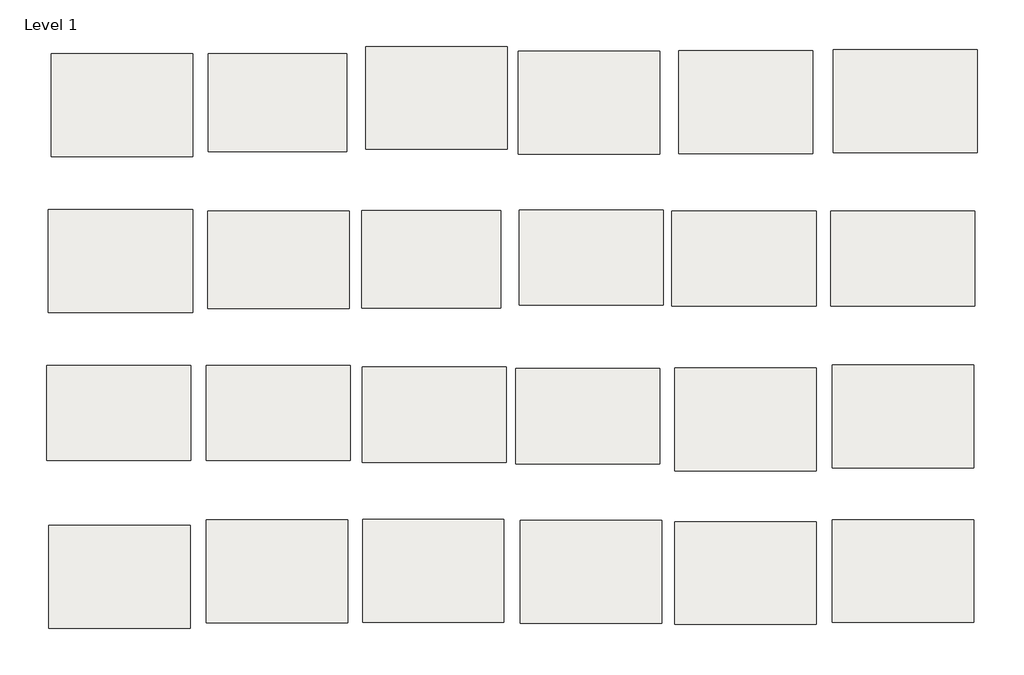
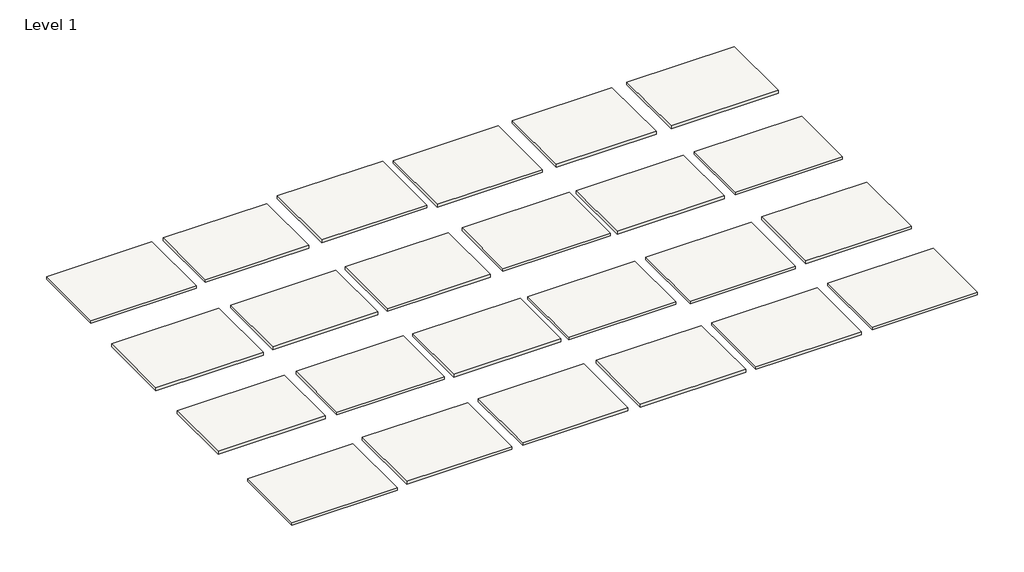
# One storey: 24 slabs.
"""IFC4 building model written with IfcOpenShell, lengths in millimetres."""

from ifc_helpers import new_model, si_unit, frame, origin, place, context, project, spatial, polyline, outline, extrude, element, save

model = new_model("IFC4")

# Units and contexts
model_context = context("Model", 3, world=origin())
ifc_project = project(units=[si_unit("LENGTHUNIT", "METRE", prefix="MILLI")], contexts=[model_context])

# Site, building, storey
site = spatial("IfcSite", under=ifc_project)
building = spatial("IfcBuilding", under=site)
storey = spatial("IfcBuildingStorey", under=building, Name="Level 1", Elevation=0.0)

# Slabs
placement = place(None, origin())
element("IfcSlab", 1, at=placement, inside=storey, context=model_context, shape_type="SweptSolid", body=[
    extrude(outline(polyline([(-1549.5177792, 2862.7855411), (-1206.6177792, 2862.7855411), (-1206.6177792, 2621.4855411), (-1549.5177792, 2621.4855411), (-1549.5177792, 2862.7855411)])), frame((0.0, 0.0, -9.525), z_axis=(0.0, 0.0, 1.0), x_axis=(1.0, 0.0, 0.0)), (0.0, 0.0, 1.0), 9.525),
])
element("IfcSlab", 2, at=placement, inside=storey, context=model_context, shape_type="SweptSolid", body=[
    extrude(outline(polyline([(-1160.194393, 2626.9149045), (-1160.194393, 2880.9149045), (-810.944393, 2880.9149045), (-810.944393, 2626.9149045), (-1160.194393, 2626.9149045)])), frame((0.0, 0.0, -9.525), z_axis=(0.0, 0.0, 1.0), x_axis=(1.0, 0.0, 0.0)), (0.0, 0.0, 1.0), 9.525),
])
element("IfcSlab", 3, at=placement, inside=storey, context=model_context, shape_type="SweptSolid", body=[
    extrude(outline(polyline([(-404.0366196, 2239.3342303), (-404.0366196, 2474.2842303), (-48.4366196, 2474.2842303), (-48.4366196, 2239.3342303), (-404.0366196, 2239.3342303)])), frame((0.0, 0.0, -9.525), z_axis=(0.0, 0.0, 1.0), x_axis=(1.0, 0.0, 0.0)), (0.0, 0.0, 1.0), 9.525),
])
element("IfcSlab", 4, at=placement, inside=storey, context=model_context, shape_type="SweptSolid", body=[
    extrude(outline(polyline([(-1553.4349086, 1858.2332246), (-1553.4349086, 2093.1832246), (-1197.8349086, 2093.1832246), (-1197.8349086, 1858.2332246), (-1553.4349086, 1858.2332246)])), frame((0.0, 0.0, -9.525), z_axis=(0.0, 0.0, 1.0), x_axis=(1.0, 0.0, 0.0)), (0.0, 0.0, 1.0), 9.525),
])
element("IfcSlab", 5, at=placement, inside=storey, context=model_context, shape_type="SweptSolid", body=[
    extrude(outline(polyline([(-1553.7203769, 1457.2159231), (-1553.7203769, 1711.2159231), (-1204.4703769, 1711.2159231), (-1204.4703769, 1457.2159231), (-1553.7203769, 1457.2159231)])), frame((0.0, 0.0, -9.525), z_axis=(0.0, 0.0, 1.0), x_axis=(1.0, 0.0, 0.0)), (0.0, 0.0, 1.0), 9.525),
])
element("IfcSlab", 6, at=placement, inside=storey, context=model_context, shape_type="SweptSolid", body=[
    extrude(outline(polyline([(-1168.1039814, 1458.2524063), (-1168.1039814, 1712.2524063), (-818.8539814, 1712.2524063), (-818.8539814, 1458.2524063), (-1168.1039814, 1458.2524063)])), frame((0.0, 0.0, -9.525), z_axis=(0.0, 0.0, 1.0), x_axis=(1.0, 0.0, 0.0)), (0.0, 0.0, 1.0), 9.525),
])
element("IfcSlab", 7, at=placement, inside=storey, context=model_context, shape_type="SweptSolid", body=[
    extrude(outline(polyline([(-778.8886823, 1455.6702315), (-778.8886823, 1709.6702315), (-429.6386823, 1709.6702315), (-429.6386823, 1455.6702315), (-778.8886823, 1455.6702315)])), frame((0.0, 0.0, -9.525), z_axis=(0.0, 0.0, 1.0), x_axis=(1.0, 0.0, 0.0)), (0.0, 0.0, 1.0), 9.525),
])
element("IfcSlab", 8, at=placement, inside=storey, context=model_context, shape_type="SweptSolid", body=[
    extrude(outline(polyline([(-397.2164796, 1452.9765408), (-397.2164796, 1706.9765408), (-47.9664796, 1706.9765408), (-47.9664796, 1452.9765408), (-397.2164796, 1452.9765408)])), frame((0.0, 0.0, -9.525), z_axis=(0.0, 0.0, 1.0), x_axis=(1.0, 0.0, 0.0)), (0.0, 0.0, 1.0), 9.525),
])
element("IfcSlab", 9, at=placement, inside=storey, context=model_context, shape_type="SweptSolid", body=[
    extrude(outline(polyline([(-8.7465912, 1457.7947638), (-8.7465912, 1711.7947638), (340.5034088, 1711.7947638), (340.5034088, 1457.7947638), (-8.7465912, 1457.7947638)])), frame((0.0, 0.0, -9.525), z_axis=(0.0, 0.0, 1.0), x_axis=(1.0, 0.0, 0.0)), (0.0, 0.0, 1.0), 9.525),
])
element("IfcSlab", 10, at=placement, inside=storey, context=model_context, shape_type="SweptSolid", body=[
    extrude(outline(polyline([(-1936.8677792, 2862.7855411), (-1587.6177792, 2862.7855411), (-1587.6177792, 2608.7855411), (-1936.8677792, 2608.7855411), (-1936.8677792, 2862.7855411)])), frame((0.0, 0.0, -9.525), z_axis=(0.0, 0.0, 1.0), x_axis=(1.0, 0.0, 0.0)), (0.0, 0.0, 1.0), 9.525),
])
element("IfcSlab", 11, ObjectType="Edgewood Base Mat MB 300 - HD Carpet Black Iron", at=placement, inside=storey, context=model_context, shape_type="SweptSolid", body=[
    extrude(outline(polyline([(-1943.3577326, 2223.4593045), (-1943.3577326, 2477.4593045), (-1587.7577326, 2477.4593045), (-1587.7577326, 2223.4593045), (-1943.3577326, 2223.4593045)])), frame((0.0, 0.0, -9.525), z_axis=(0.0, 0.0, 1.0), x_axis=(1.0, 0.0, 0.0)), (0.0, 0.0, 1.0), 9.525),
])
element("IfcSlab", 12, ObjectType="Edgewood Base Mat MB 300 - HD Carpet Cast Iron", at=placement, inside=storey, context=model_context, shape_type="SweptSolid", body=[
    extrude(outline(polyline([(-783.9705572, 2614.70127), (-783.9705572, 2868.70127), (-434.7205572, 2868.70127), (-434.7205572, 2614.70127), (-783.9705572, 2614.70127)])), frame((0.0, 0.0, -9.525), z_axis=(0.0, 0.0, 1.0), x_axis=(1.0, 0.0, 0.0)), (0.0, 0.0, 1.0), 9.525),
])
element("IfcSlab", 13, ObjectType="Edgewood Base Mat MB 300 - HD Carpet Charcoal", at=placement, inside=storey, context=model_context, shape_type="SweptSolid", body=[
    extrude(outline(polyline([(-1549.9965666, 2233.3097029), (-1549.9965666, 2474.6097029), (-1200.7465666, 2474.6097029), (-1200.7465666, 2233.3097029), (-1549.9965666, 2233.3097029)])), frame((0.0, 0.0, -9.525), z_axis=(0.0, 0.0, 1.0), x_axis=(1.0, 0.0, 0.0)), (0.0, 0.0, 1.0), 9.525),
])
element("IfcSlab", 14, ObjectType="Edgewood Base Mat MB 300 - HD Carpet Denim", at=placement, inside=storey, context=model_context, shape_type="SweptSolid", body=[
    extrude(outline(polyline([(-781.106873, 2242.0235364), (-781.106873, 2476.9735364), (-425.506873, 2476.9735364), (-425.506873, 2242.0235364), (-781.106873, 2242.0235364)])), frame((0.0, 0.0, -9.525), z_axis=(0.0, 0.0, 1.0), x_axis=(1.0, 0.0, 0.0)), (0.0, 0.0, 1.0), 9.525),
])
element("IfcSlab", 15, ObjectType="Edgewood Base Mat MB 300 - HD Carpet Espresso", at=placement, inside=storey, context=model_context, shape_type="SweptSolid", body=[
    extrude(outline(polyline([(-11.5745727, 2239.7828073), (-11.5745727, 2474.7328073), (344.0254273, 2474.7328073), (344.0254273, 2239.7828073), (-11.5745727, 2239.7828073)])), frame((0.0, 0.0, -9.525), z_axis=(0.0, 0.0, 1.0), x_axis=(1.0, 0.0, 0.0)), (0.0, 0.0, 1.0), 9.525),
])
element("IfcSlab", 16, ObjectType="Edgewood Base Mat MB 300 - HD Carpet Grey Castle", at=placement, inside=storey, context=model_context, shape_type="SweptSolid", body=[
    extrude(outline(polyline([(-1169.8290103, 2234.5929701), (-1169.8290103, 2475.8929701), (-826.9290103, 2475.8929701), (-826.9290103, 2234.5929701), (-1169.8290103, 2234.5929701)])), frame((0.0, 0.0, -9.525), z_axis=(0.0, 0.0, 1.0), x_axis=(1.0, 0.0, 0.0)), (0.0, 0.0, 1.0), 9.525),
])
element("IfcSlab", 17, ObjectType="Edgewood Base Mat MB 300 - HD Carpet Java", at=placement, inside=storey, context=model_context, shape_type="SweptSolid", body=[
    extrude(outline(polyline([(-1948.1491407, 1857.938077), (-1948.1491407, 2092.888077), (-1592.5491407, 2092.888077), (-1592.5491407, 1857.938077), (-1948.1491407, 1857.938077)])), frame((0.0, 0.0, -9.525), z_axis=(0.0, 0.0, 1.0), x_axis=(1.0, 0.0, 0.0)), (0.0, 0.0, 1.0), 9.525),
])
element("IfcSlab", 18, ObjectType="Edgewood Base Mat MB 300 - HD Carpet Onyx", at=placement, inside=storey, context=model_context, shape_type="SweptSolid", body=[
    extrude(outline(polyline([(-387.0207271, 2616.8577878), (-387.0207271, 2870.8577878), (-56.8207271, 2870.8577878), (-56.8207271, 2616.8577878), (-387.0207271, 2616.8577878)])), frame((0.0, 0.0, -9.525), z_axis=(0.0, 0.0, 1.0), x_axis=(1.0, 0.0, 0.0)), (0.0, 0.0, 1.0), 9.525),
])
element("IfcSlab", 19, ObjectType="Edgewood Base Mat MB 300 - HD Carpet Shadow", at=placement, inside=storey, context=model_context, shape_type="SweptSolid", body=[
    extrude(outline(polyline([(-5.4941605, 2619.2983071), (-5.4941605, 2873.2983071), (350.1058395, 2873.2983071), (350.1058395, 2619.2983071), (-5.4941605, 2619.2983071)])), frame((0.0, 0.0, -9.525), z_axis=(0.0, 0.0, 1.0), x_axis=(1.0, 0.0, 0.0)), (0.0, 0.0, 1.0), 9.525),
])
element("IfcSlab", 20, ObjectType="Edgewood Base Mat MB 300 - HD Carpet Spice", at=placement, inside=storey, context=model_context, shape_type="SweptSolid", body=[
    extrude(outline(polyline([(-1168.5201456, 1853.6826246), (-1168.5201456, 2088.6326246), (-812.9201456, 2088.6326246), (-812.9201456, 1853.6826246), (-1168.5201456, 1853.6826246)])), frame((0.0, 0.0, -9.525), z_axis=(0.0, 0.0, 1.0), x_axis=(1.0, 0.0, 0.0)), (0.0, 0.0, 1.0), 9.525),
])
element("IfcSlab", 21, ObjectType="Edgewood Base Mat MB 300 - HD Carpet Suede", at=placement, inside=storey, context=model_context, shape_type="SweptSolid", body=[
    extrude(outline(polyline([(-789.2579176, 1850.2429801), (-789.2579176, 2085.1929801), (-433.6579176, 2085.1929801), (-433.6579176, 1850.2429801), (-789.2579176, 1850.2429801)])), frame((0.0, 0.0, -9.525), z_axis=(0.0, 0.0, 1.0), x_axis=(1.0, 0.0, 0.0)), (0.0, 0.0, 1.0), 9.525),
])
element("IfcSlab", 22, ObjectType="Edgewood Base Mat MB 300 - Vinyl Black", at=placement, inside=storey, context=model_context, shape_type="SweptSolid", body=[
    extrude(outline(polyline([(-396.7292514, 1832.455077), (-396.7292514, 2086.455077), (-47.4792514, 2086.455077), (-47.4792514, 1832.455077), (-396.7292514, 1832.455077)])), frame((0.0, 0.0, -9.525), z_axis=(0.0, 0.0, 1.0), x_axis=(1.0, 0.0, 0.0)), (0.0, 0.0, 1.0), 9.525),
])
element("IfcSlab", 23, ObjectType="Edgewood Base Mat MB 300 - Vinyl Brown", at=placement, inside=storey, context=model_context, shape_type="SweptSolid", body=[
    extrude(outline(polyline([(-7.8873187, 1840.287406), (-7.8873187, 2094.287406), (341.3626813, 2094.287406), (341.3626813, 1840.287406), (-7.8873187, 1840.287406)])), frame((0.0, 0.0, -9.525), z_axis=(0.0, 0.0, 1.0), x_axis=(1.0, 0.0, 0.0)), (0.0, 0.0, 1.0), 9.525),
])
element("IfcSlab", 24, ObjectType="Edgewood Base Mat MB 300 - Vinyl Grey", at=placement, inside=storey, context=model_context, shape_type="SweptSolid", body=[
    extrude(outline(polyline([(-1942.6193222, 1443.269952), (-1942.6193222, 1697.269952), (-1593.3693222, 1697.269952), (-1593.3693222, 1443.269952), (-1942.6193222, 1443.269952)])), frame((0.0, 0.0, -9.525), z_axis=(0.0, 0.0, 1.0), x_axis=(1.0, 0.0, 0.0)), (0.0, 0.0, 1.0), 9.525),
])

save(model, "model.ifc")
